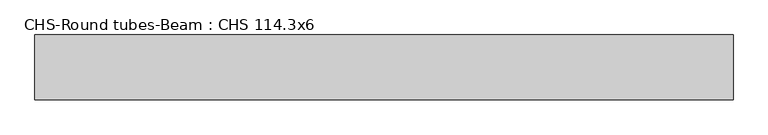
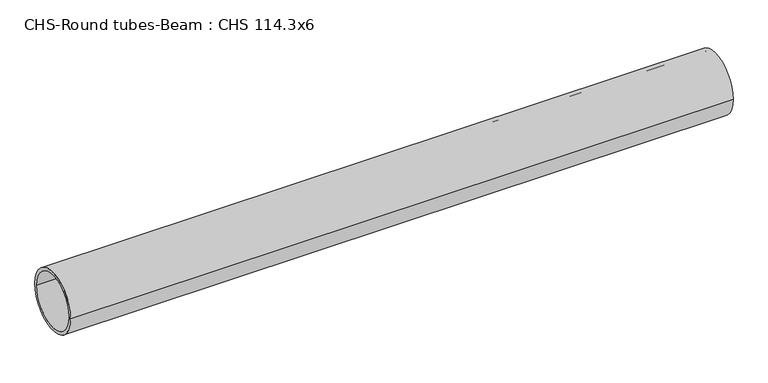
"""IFC4 building model written with IfcOpenShell, lengths in millimetres: beam geometry, CHS-Round tubes-Beam : CHS 114.3x6."""

from ifc_helpers import new_model, si_unit, point, frame, origin, origin_2d, place, context, project, spatial, circle_curve, trimmed, segment, composite_curve, outline, extrude, source, transform, mapped, element, save


def chs_round_tubes_beam_chs_114_3x6_52e0726c(model_context):
    return source(origin(), model_context, "Body", "SweptSolid", [
        extrude(outline(composite_curve([segment(trimmed(circle_curve(origin_2d(), 57.15), [point((57.15, 0.0))], [point((-57.15, 0.0))], False, "CARTESIAN"), True, "CONTINUOUS"), segment(trimmed(circle_curve(origin_2d(), 57.15), [point((-57.15, 0.0))], [point((57.15, 0.0))], False, "CARTESIAN"), True, "CONTINUOUS")], self_intersect=False), holes=[composite_curve([segment(trimmed(circle_curve(origin_2d(), 51.15), [point((51.15, 0.0))], [point((-51.15, 0.0))], True, "CARTESIAN"), True, "CONTINUOUS"), segment(trimmed(circle_curve(origin_2d(), 51.15), [point((-51.15, 0.0))], [point((51.15, 0.0))], True, "CARTESIAN"), True, "CONTINUOUS")], self_intersect=False)]), frame((-633.0694834, 0.0, 0.0), z_axis=(1.0, 0.0, 0.0), x_axis=(0.0, 1.0, 0.0)), (0.0, 0.0, 1.0), 1229.3572568),
    ])


if __name__ == "__main__":
    model = new_model("IFC4")
    model_context = context("Model", 3, world=origin())
    ifc_project = project(units=[si_unit("LENGTHUNIT", "METRE", prefix="MILLI")], contexts=[model_context])
    site = spatial("IfcSite", under=ifc_project)
    building = spatial("IfcBuilding", under=site)
    placement = place(None, origin())
    chs_round_tubes_beam_chs_114_3x6_shape = chs_round_tubes_beam_chs_114_3x6_52e0726c(model_context)
    element("IfcBeam", 1, ObjectType="CHS-Round tubes-Beam : CHS 114.3x6", at=placement, inside=building, context=model_context, shape_type="MappedRepresentation", body=[
        mapped(chs_round_tubes_beam_chs_114_3x6_shape, transform((0.0, 0.0, 0.0), x_axis=(1.0, 0.0, 0.0), y_axis=(0.0, 1.0, 0.0), z_axis=(0.0, 0.0, 1.0))),
    ])
    save(model, "model.ifc")
